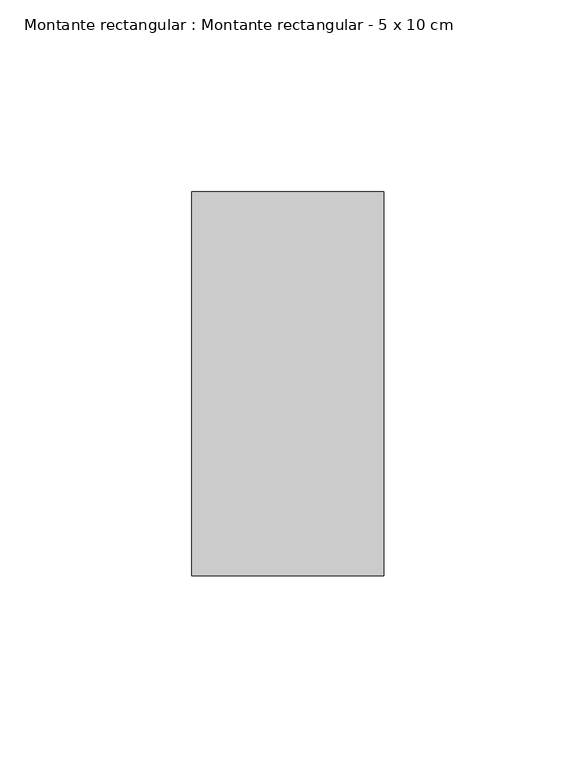
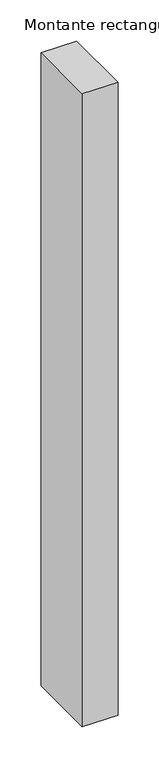
"""IFC4 building model written with IfcOpenShell, lengths in millimetres: member geometry, Montante rectangular : Montante rectangular - 5 x 10 cm."""

from ifc_helpers import new_model, si_unit, frame, origin, place, context, project, spatial, polyline, outline, extrude, source, transform, mapped, element, save


def montante_rectangular_montante_rectangular_5_x_10_cm_53971957(model_context):
    return source(origin(), model_context, "Body", "SweptSolid", [
        extrude(outline(polyline([(-50.0, 50.0), (0.0, 50.0), (0.0, -50.0), (-50.0, -50.0), (-50.0, 50.0)])), frame((0.0, 0.0, -938.0832678), z_axis=(0.0, 0.0, 1.0), x_axis=(1.0, 0.0, 0.0)), (0.0, 0.0, 1.0), 938.0832678),
    ])


if __name__ == "__main__":
    model = new_model("IFC4")
    model_context = context("Model", 3, world=origin())
    ifc_project = project(units=[si_unit("LENGTHUNIT", "METRE", prefix="MILLI")], contexts=[model_context])
    site = spatial("IfcSite", under=ifc_project)
    building = spatial("IfcBuilding", under=site)
    placement = place(None, origin())
    montante_rectangular_montante_rectangular_5_x_10_cm_shape = montante_rectangular_montante_rectangular_5_x_10_cm_53971957(model_context)
    element("IfcMember", 1, ObjectType="Montante rectangular : Montante rectangular - 5 x 10 cm", at=placement, inside=building, context=model_context, shape_type="MappedRepresentation", body=[
        mapped(montante_rectangular_montante_rectangular_5_x_10_cm_shape, transform((0.0, 0.0, 0.0), x_axis=(1.0, 0.0, 0.0), y_axis=(0.0, 1.0, 0.0), z_axis=(0.0, 0.0, 1.0))),
    ])
    save(model, "model.ifc")
